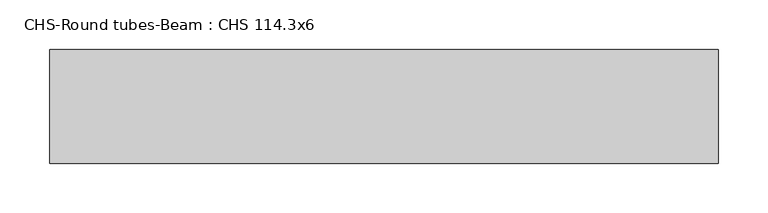
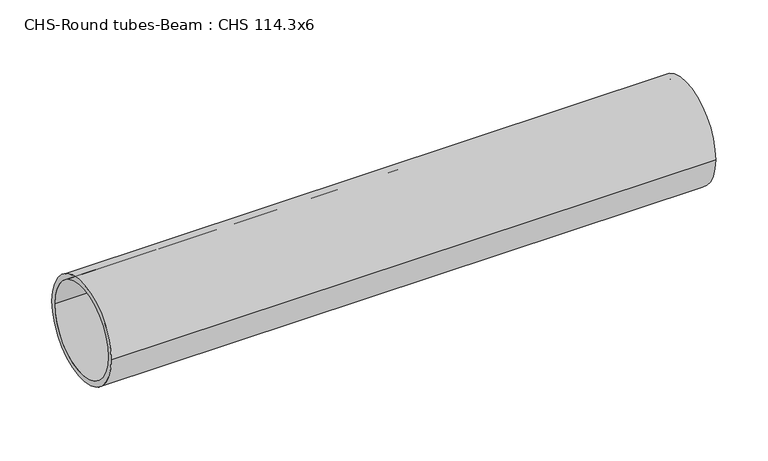
"""IFC4 building model written with IfcOpenShell, lengths in millimetres: beam geometry, CHS-Round tubes-Beam : CHS 114.3x6."""

from ifc_helpers import new_model, si_unit, point, frame, origin, origin_2d, place, context, project, spatial, circle_curve, trimmed, segment, composite_curve, outline, extrude, source, transform, mapped, element, save


def chs_round_tubes_beam_chs_114_3x6_8fa4b399(model_context):
    return source(origin(), model_context, "Body", "SweptSolid", [
        extrude(outline(composite_curve([segment(trimmed(circle_curve(origin_2d(), 57.15), [point((57.15, 0.0))], [point((-57.15, 0.0))], False, "CARTESIAN"), True, "CONTINUOUS"), segment(trimmed(circle_curve(origin_2d(), 57.15), [point((-57.15, 0.0))], [point((57.15, 0.0))], False, "CARTESIAN"), True, "CONTINUOUS")], self_intersect=False), holes=[composite_curve([segment(trimmed(circle_curve(origin_2d(), 51.15), [point((51.15, 0.0))], [point((-51.15, 0.0))], True, "CARTESIAN"), True, "CONTINUOUS"), segment(trimmed(circle_curve(origin_2d(), 51.15), [point((-51.15, 0.0))], [point((51.15, 0.0))], True, "CARTESIAN"), True, "CONTINUOUS")], self_intersect=False)]), frame((-295.5012332, 0.0, 0.0), z_axis=(1.0, 0.0, 0.0), x_axis=(0.0, 1.0, 0.0)), (0.0, 0.0, 1.0), 671.4547838),
    ])


if __name__ == "__main__":
    model = new_model("IFC4")
    model_context = context("Model", 3, world=origin())
    ifc_project = project(units=[si_unit("LENGTHUNIT", "METRE", prefix="MILLI")], contexts=[model_context])
    site = spatial("IfcSite", under=ifc_project)
    building = spatial("IfcBuilding", under=site)
    placement = place(None, origin())
    chs_round_tubes_beam_chs_114_3x6_shape = chs_round_tubes_beam_chs_114_3x6_8fa4b399(model_context)
    element("IfcBeam", 1, ObjectType="CHS-Round tubes-Beam : CHS 114.3x6", at=placement, inside=building, context=model_context, shape_type="MappedRepresentation", body=[
        mapped(chs_round_tubes_beam_chs_114_3x6_shape, transform((0.0, 0.0, 0.0), x_axis=(1.0, 0.0, 0.0), y_axis=(0.0, 1.0, 0.0), z_axis=(0.0, 0.0, 1.0))),
    ])
    save(model, "model.ifc")
